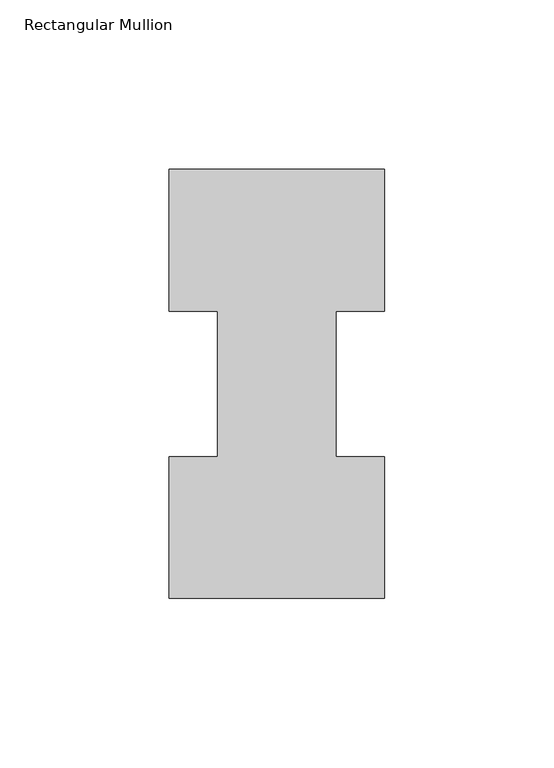
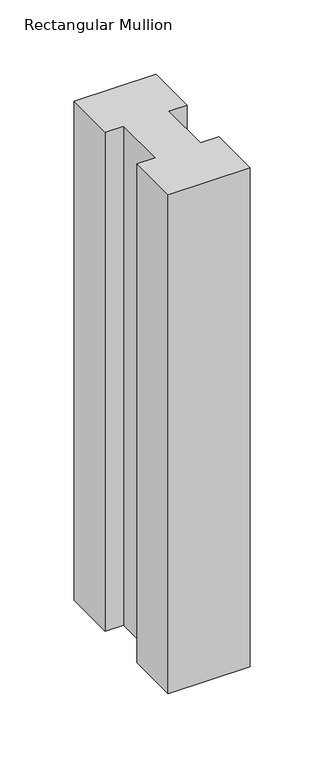
"""IFC4 building model written with IfcOpenShell, lengths in millimetres: member geometry, Rectangular Mullion."""

import ifcopenshell
import ifcopenshell.guid

model = None  # the IFC model being written
_history = None  # IfcOwnerHistory: only IFC2X3 demands one
_inside = {}  # id of a spatial element -> (the spatial element, [elements in it])
_under = {}  # id of a project, library or spatial element -> (it, [spatial elements below it])
_declared = {}  # id of a project -> (the project, [libraries it declares])
_typed = {}  # id of a type object -> (the type object, [elements of that type])
_made_of = {}  # id of a material, layer set ... -> (it, [elements and type objects made of it])


def new_model(schema):
    """Start an empty IFC model of exactly this schema.

    Asked for "IFC4X3", IfcOpenShell would pick the latest addendum, in which some entities
    have other attributes; the version numbers below select the first issue.
    IFC2X3 requires an IfcOwnerHistory on every rooted entity: one is made here for all.
    """
    global model, _history
    if schema == "IFC4X3":
        model = ifcopenshell.file(schema_version=(4, 3, 0, 0))
    else:
        model = ifcopenshell.file(schema=schema)
    _inside.clear()
    _under.clear()
    _declared.clear()
    _typed.clear()
    _made_of.clear()
    _history = None
    if model.schema == "IFC2X3":
        org = make("IfcOrganization", Name="unknown")
        user = make(
            "IfcPersonAndOrganization",
            ThePerson=make("IfcPerson", FamilyName="unknown"),
            TheOrganization=org,
        )
        app = make(
            "IfcApplication",
            ApplicationDeveloper=org,
            Version="unknown",
            ApplicationFullName="unknown",
            ApplicationIdentifier="unknown",
        )
        _history = make(
            "IfcOwnerHistory",
            OwningUser=user,
            OwningApplication=app,
            ChangeAction="ADDED",
            CreationDate=0,
        )
    return model


def make(cls, **values):
    """One entity of the class cls with the attributes given. An attribute that is None is left unset."""
    return model.create_entity(
        cls, **{name: value for name, value in values.items() if value is not None}
    )


def rooted(cls, **values):
    """An entity with a GlobalId (a new one), such as an element, a storey or a relation."""
    return make(cls, GlobalId=ifcopenshell.guid.new(), OwnerHistory=_history, **values)


def si_unit(unit_type, name, prefix=None):
    """IfcSIUnit, for example si_unit("LENGTHUNIT", "METRE", prefix="MILLI")."""
    return make("IfcSIUnit", UnitType=unit_type, Prefix=prefix, Name=name)


def assignment(units):
    """IfcUnitAssignment: the units of a project."""
    return None if units is None else make("IfcUnitAssignment", Units=units)


def point(xyz):
    """IfcCartesianPoint."""
    return None if xyz is None else make("IfcCartesianPoint", Coordinates=xyz)


def direction(xyz):
    """IfcDirection."""
    return None if xyz is None else make("IfcDirection", DirectionRatios=xyz)


def frame(location, z_axis=None, x_axis=None):
    """IfcAxis2Placement3D, a coordinate frame: its origin and axes. An axis left out is left unset."""
    return make(
        "IfcAxis2Placement3D",
        Location=point(location),
        Axis=direction(z_axis),
        RefDirection=direction(x_axis),
    )


def origin():
    """The frame at (0, 0, 0) with its axes left unset."""
    return frame((0.0, 0.0, 0.0))


def place(relative_to, where):
    """IfcLocalPlacement: puts the frame where relative to a parent placement (None: the world)."""
    return make(
        "IfcLocalPlacement", PlacementRelTo=relative_to, RelativePlacement=where
    )


def context(
    kind, dimensions, precision=None, world=None, true_north=None, identifier=None
):
    """IfcGeometricRepresentationContext, for example the 3D "Model" context."""
    return make(
        "IfcGeometricRepresentationContext",
        ContextIdentifier=identifier,
        ContextType=kind,
        CoordinateSpaceDimension=dimensions,
        Precision=precision,
        WorldCoordinateSystem=world,
        TrueNorth=true_north,
    )


def project(units=None, contexts=None):
    """IfcProject with its units and contexts."""
    return rooted(
        "IfcProject",
        Name="project",
        RepresentationContexts=contexts,
        UnitsInContext=assignment(units),
    )


def spatial(cls, under=None, at=None, **own):
    """A site, building, storey or space (cls), placed at a placement, below another one or the project."""
    s = rooted(cls, ObjectPlacement=at, **own)
    if under is not None:
        _under.setdefault(under.id(), (under, []))[1].append(s)
    return s


def polyline(points):
    """IfcPolyline through the points."""
    return make("IfcPolyline", Points=[point(p) for p in points])


def outline(outer, holes=None, kind="AREA"):
    """IfcArbitraryClosedProfileDef: a profile drawn as a closed curve; with holes, ...WithVoids."""
    if holes is None:
        return make("IfcArbitraryClosedProfileDef", ProfileType=kind, OuterCurve=outer)
    return make(
        "IfcArbitraryProfileDefWithVoids",
        ProfileType=kind,
        OuterCurve=outer,
        InnerCurves=holes,
    )


def extrude(swept, where, along, depth):
    """IfcExtrudedAreaSolid: the profile swept, set in the frame where, extruded along a direction by depth."""
    return make(
        "IfcExtrudedAreaSolid",
        SweptArea=swept,
        Position=where,
        ExtrudedDirection=direction(along),
        Depth=depth,
    )


def shape(context_of_items, identifier, shape_type, items):
    """IfcShapeRepresentation: the items that make up one representation, for example the "Body"."""
    return make(
        "IfcShapeRepresentation",
        ContextOfItems=context_of_items,
        RepresentationIdentifier=identifier,
        RepresentationType=shape_type,
        Items=items,
    )


def source(mapping_origin, context_of_items, identifier, shape_type, items):
    """IfcRepresentationMap: a shape defined once, which mapped items show again and again."""
    return make(
        "IfcRepresentationMap",
        MappingOrigin=mapping_origin,
        MappedRepresentation=shape(context_of_items, identifier, shape_type, items),
    )


def transform(
    local_origin,
    x_axis=None,
    y_axis=None,
    z_axis=None,
    scale=None,
    scale2=None,
    scale3=None,
    uniform=True,
):
    """IfcCartesianTransformationOperator3D, or its non-uniform kind. x_axis, y_axis, z_axis: its Axis1, 2, 3."""
    if uniform:
        return make(
            "IfcCartesianTransformationOperator3D",
            Axis1=direction(x_axis),
            Axis2=direction(y_axis),
            LocalOrigin=point(local_origin),
            Scale=scale,
            Axis3=direction(z_axis),
        )
    return make(
        "IfcCartesianTransformationOperator3DnonUniform",
        Axis1=direction(x_axis),
        Axis2=direction(y_axis),
        LocalOrigin=point(local_origin),
        Scale=scale,
        Axis3=direction(z_axis),
        Scale2=scale2,
        Scale3=scale3,
    )


def mapped(mapping_source, mapping_target):
    """IfcMappedItem: shows the shape of a source again, moved by a transform."""
    return make(
        "IfcMappedItem", MappingSource=mapping_source, MappingTarget=mapping_target
    )


def made_of(thing, what):
    """Note that an element or type object is made of a material, layer set ...; save() writes the relation."""
    if what is not None:
        _made_of.setdefault(what.id(), (what, []))[1].append(thing)
    return thing


def element(
    cls,
    number,
    at=None,
    inside=None,
    cuts=None,
    type_object=None,
    material=None,
    context=None,
    identifier="Body",
    shape_type=None,
    held_by="IfcProductDefinitionShape",
    body=None,
    shapes=None,
    **own,
):
    """One element of the class cls, such as IfcWall. Its Tag is "e" and its number.

    at: its placement. inside: the storey or other place that contains it. cuts: it is an
    opening in that element (IfcRelVoidsElement). A single representation is given by context,
    identifier, shape_type and body (its items); several are given by shapes. held_by: the class
    of the entity that holds the representations. save() writes the other relations.
    """
    e = rooted(cls, Tag="e%d" % number, ObjectPlacement=at, **own)
    if body is not None:
        shapes = [shape(context, identifier, shape_type, body)]
    if shapes is not None:
        e.Representation = make(held_by, Representations=shapes)
    if inside is not None:
        _inside.setdefault(inside.id(), (inside, []))[1].append(e)
    if cuts is not None:
        rooted(
            "IfcRelVoidsElement", RelatingBuildingElement=cuts, RelatedOpeningElement=e
        )
    if type_object is not None:
        _typed.setdefault(type_object.id(), (type_object, []))[1].append(e)
    return made_of(e, material)


def aggregate(whole, parts):
    """IfcRelAggregates: a whole, such as a stair, and the parts it consists of."""
    return rooted("IfcRelAggregates", RelatingObject=whole, RelatedObjects=parts)


def save(model, path):
    """Write the relations noted so far, then the file.

    IfcRelAggregates (storeys below a building ...), IfcRelContainedInSpatialStructure (elements
    in a storey), IfcRelDefinesByType, IfcRelAssociatesMaterial and IfcRelDeclares: one each for
    every whole, place, type object, material and project.
    """
    for whole, parts in _under.values():
        aggregate(whole, parts)
    for where, things in _inside.values():
        rooted(
            "IfcRelContainedInSpatialStructure",
            RelatedElements=things,
            RelatingStructure=where,
        )
    for kind, things in _typed.values():
        rooted("IfcRelDefinesByType", RelatedObjects=things, RelatingType=kind)
    for what, things in _made_of.values():
        rooted("IfcRelAssociatesMaterial", RelatedObjects=things, RelatingMaterial=what)
    for by, libraries in _declared.values():
        rooted("IfcRelDeclares", RelatingContext=by, RelatedDefinitions=libraries)
    model.write(path)


def rectangular_mullion_29c69a59(model_context):
    return source(origin(), model_context, "Body", "SweptSolid", [
        extrude(outline(polyline([(-63.5, 0.26035), (-63.5, 42.08145), (-49.2125, 42.08145), (-49.2125, 84.93125), (-63.5, 84.93125), (-63.5, 126.75235), (0.0, 126.75235), (0.0, 84.93125), (-14.2748, 84.93125), (-14.2748, 42.08145), (0.0, 42.08145), (0.0, 0.26035), (-63.5, 0.26035)])), frame((0.0, 0.0, -409.575), z_axis=(0.0, 0.0, 1.0), x_axis=(1.0, 0.0, 0.0)), (0.0, 0.0, 1.0), 409.575),
    ])


if __name__ == "__main__":
    model = new_model("IFC4")
    model_context = context("Model", 3, world=origin())
    ifc_project = project(units=[si_unit("LENGTHUNIT", "METRE", prefix="MILLI")], contexts=[model_context])
    site = spatial("IfcSite", under=ifc_project)
    building = spatial("IfcBuilding", under=site)
    placement = place(None, origin())
    rectangular_mullion_shape = rectangular_mullion_29c69a59(model_context)
    element("IfcMember", 1, ObjectType="Rectangular Mullion", at=placement, inside=building, context=model_context, shape_type="MappedRepresentation", body=[
        mapped(rectangular_mullion_shape, transform((0.0, 0.0, 0.0), x_axis=(1.0, 0.0, 0.0), y_axis=(0.0, 1.0, 0.0), z_axis=(0.0, 0.0, 1.0))),
    ])
    save(model, "model.ifc")
